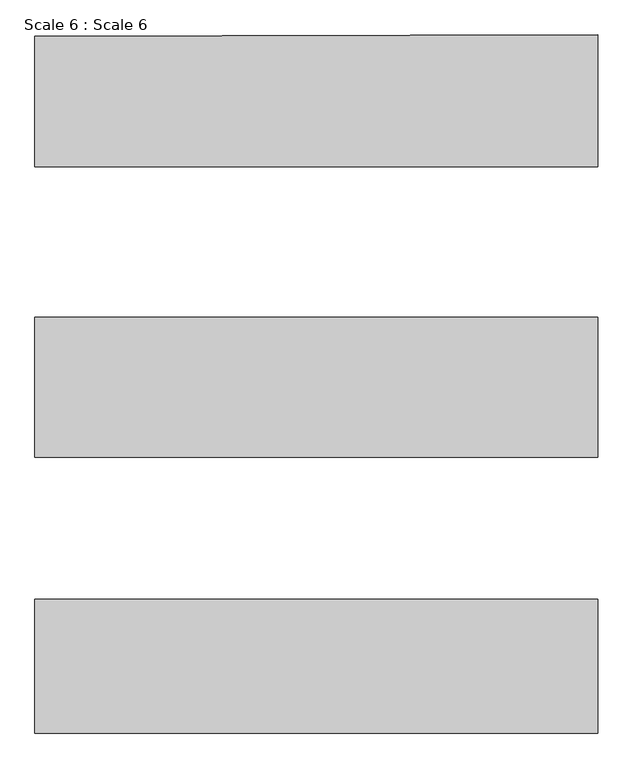
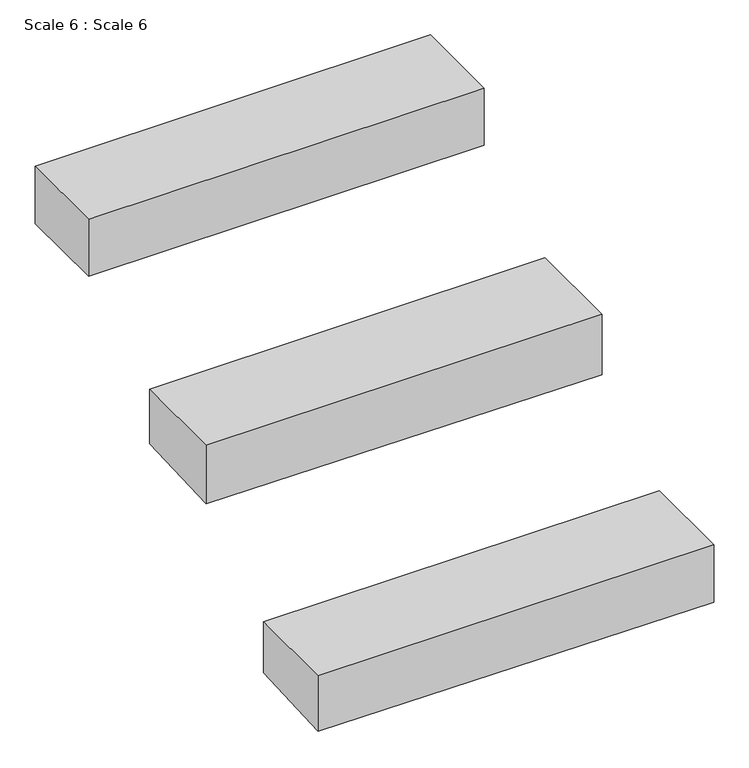
"""IFC4 building model written with IfcOpenShell, lengths in millimetres: proxy geometry, Scale 6 : Scale 6."""

from ifc_helpers import new_model, si_unit, frame, origin, place, context, project, spatial, polyline, outline, extrude, faceted_brep, source, transform, mapped, element, save


def scale_6_scale_6_c5230302(model_context):
    return source(origin(), model_context, "Body", "SolidModel", [
        faceted_brep([(-80949.5913109, 119367.0730002, 10175.2683403), (-80949.5913109, 119367.0730002, 9976.1003191), (-80949.5913109, 119676.9868003, 9992.7583796), (-80949.5913109, 119676.9868003, 10175.2683403), (-82253.0589165, 119367.0730002, 9981.6720795), (-82253.0589165, 119367.0730002, 10175.2683403), (-82253.0589165, 119676.9868003, 10175.2683403), (-82253.0589165, 119676.9868003, 9998.33014)], [[[0, 1, 2, 3]], [[4, 5, 6, 7]], [[0, 5, 4, 1]], [[5, 0, 3, 6]], [[2, 1, 4, 7]], [[3, 2, 7, 6]]]),
        extrude(outline(polyline([(-80949.5913109, 120983.6493951), (-80949.5913109, 120677.870267), (-82253.0589165, 120677.870267), (-82253.0589165, 120980.9364268), (-80949.5913109, 120983.6493951)])), frame((0.0, 0.0, 10771.4616441), z_axis=(0.0, 0.0, 1.0), x_axis=(1.0, 0.0, 0.0)), (0.0, 0.0, 1.0), 198.9131533),
        faceted_brep([(-80949.5913109, 120006.2329808, 10590.3086252), (-80949.5913109, 120006.2329808, 10379.3661453), (-80949.5913109, 120329.5816926, 10391.1197416), (-80949.5913109, 120329.5816926, 10590.3086252), (-82253.0589165, 120006.2329808, 10387.6036655), (-82253.0589165, 120006.2329808, 10590.3086252), (-82253.0589165, 120329.5816926, 10590.3086252), (-82253.0589165, 120329.5816926, 10399.3572619)], [[[0, 1, 2, 3]], [[4, 5, 6, 7]], [[0, 5, 4, 1]], [[5, 0, 3, 6]], [[2, 1, 4, 7]], [[3, 2, 7, 6]]]),
    ])


if __name__ == "__main__":
    model = new_model("IFC4")
    model_context = context("Model", 3, world=origin())
    ifc_project = project(units=[si_unit("LENGTHUNIT", "METRE", prefix="MILLI")], contexts=[model_context])
    site = spatial("IfcSite", under=ifc_project)
    building = spatial("IfcBuilding", under=site)
    placement = place(None, origin())
    scale_6_scale_6_shape = scale_6_scale_6_c5230302(model_context)
    element("IfcBuildingElementProxy", 1, Name="Scale 6 : Scale 6", ObjectType="Scale 6 : Scale 6", at=placement, inside=building, context=model_context, shape_type="MappedRepresentation", body=[
        mapped(scale_6_scale_6_shape, transform((0.0, 0.0, 0.0), x_axis=(1.0, 0.0, 0.0), y_axis=(0.0, 1.0, 0.0), z_axis=(0.0, 0.0, 1.0))),
    ])
    save(model, "model.ifc")
